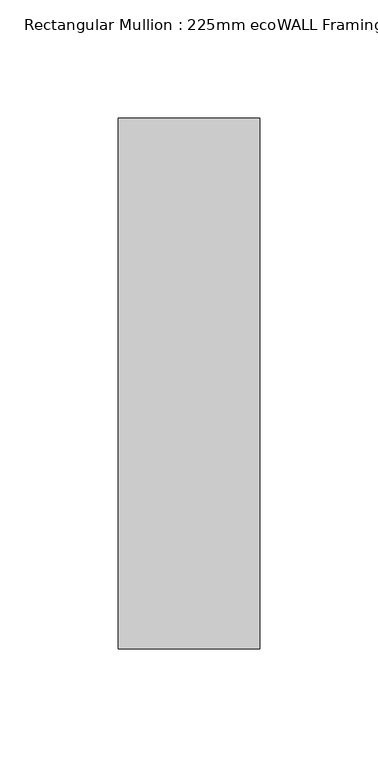
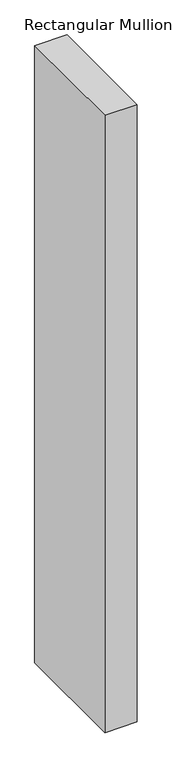
"""IFC4 building model written with IfcOpenShell, lengths in millimetres: member geometry, Rectangular Mullion : 225mm ecoWALL Framing."""

from ifc_helpers import new_model, si_unit, frame, origin, place, context, project, spatial, polyline, outline, extrude, source, transform, mapped, element, save


def rectangular_mullion_225mm_ecowall_framing_2a7be7b6(model_context):
    return source(origin(), model_context, "Body", "SweptSolid", [
        extrude(outline(polyline([(0.0, 112.5), (0.0, -112.5), (-60.0, -112.5), (-60.0, 112.5), (0.0, 112.5)])), frame((0.0, 0.0, -1210.0), z_axis=(0.0, 0.0, 1.0), x_axis=(1.0, 0.0, 0.0)), (0.0, 0.0, 1.0), 1210.0),
    ])


if __name__ == "__main__":
    model = new_model("IFC4")
    model_context = context("Model", 3, world=origin())
    ifc_project = project(units=[si_unit("LENGTHUNIT", "METRE", prefix="MILLI")], contexts=[model_context])
    site = spatial("IfcSite", under=ifc_project)
    building = spatial("IfcBuilding", under=site)
    placement = place(None, origin())
    rectangular_mullion_225mm_ecowall_framing_shape = rectangular_mullion_225mm_ecowall_framing_2a7be7b6(model_context)
    element("IfcMember", 1, ObjectType="Rectangular Mullion : 225mm ecoWALL Framing", at=placement, inside=building, context=model_context, shape_type="MappedRepresentation", body=[
        mapped(rectangular_mullion_225mm_ecowall_framing_shape, transform((0.0, 0.0, 0.0), x_axis=(1.0, 0.0, 0.0), y_axis=(0.0, 1.0, 0.0), z_axis=(0.0, 0.0, 1.0))),
    ])
    save(model, "model.ifc")
